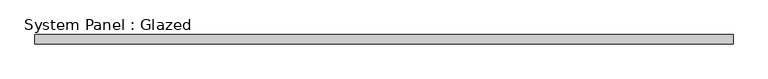
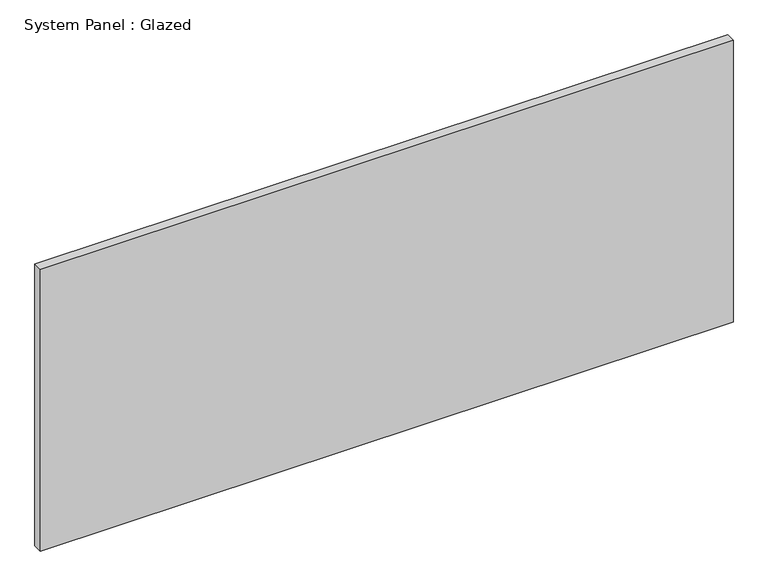
"""IFC4 building model written with IfcOpenShell, lengths in millimetres: plate geometry, System Panel : Glazed."""

import ifcopenshell
import ifcopenshell.guid

model = None  # the IFC model being written
_history = None  # IfcOwnerHistory: only IFC2X3 demands one
_inside = {}  # id of a spatial element -> (the spatial element, [elements in it])
_under = {}  # id of a project, library or spatial element -> (it, [spatial elements below it])
_declared = {}  # id of a project -> (the project, [libraries it declares])
_typed = {}  # id of a type object -> (the type object, [elements of that type])
_made_of = {}  # id of a material, layer set ... -> (it, [elements and type objects made of it])


def new_model(schema):
    """Start an empty IFC model of exactly this schema.

    Asked for "IFC4X3", IfcOpenShell would pick the latest addendum, in which some entities
    have other attributes; the version numbers below select the first issue.
    IFC2X3 requires an IfcOwnerHistory on every rooted entity: one is made here for all.
    """
    global model, _history
    if schema == "IFC4X3":
        model = ifcopenshell.file(schema_version=(4, 3, 0, 0))
    else:
        model = ifcopenshell.file(schema=schema)
    _inside.clear()
    _under.clear()
    _declared.clear()
    _typed.clear()
    _made_of.clear()
    _history = None
    if model.schema == "IFC2X3":
        org = make("IfcOrganization", Name="unknown")
        user = make(
            "IfcPersonAndOrganization",
            ThePerson=make("IfcPerson", FamilyName="unknown"),
            TheOrganization=org,
        )
        app = make(
            "IfcApplication",
            ApplicationDeveloper=org,
            Version="unknown",
            ApplicationFullName="unknown",
            ApplicationIdentifier="unknown",
        )
        _history = make(
            "IfcOwnerHistory",
            OwningUser=user,
            OwningApplication=app,
            ChangeAction="ADDED",
            CreationDate=0,
        )
    return model


def make(cls, **values):
    """One entity of the class cls with the attributes given. An attribute that is None is left unset."""
    return model.create_entity(
        cls, **{name: value for name, value in values.items() if value is not None}
    )


def rooted(cls, **values):
    """An entity with a GlobalId (a new one), such as an element, a storey or a relation."""
    return make(cls, GlobalId=ifcopenshell.guid.new(), OwnerHistory=_history, **values)


def si_unit(unit_type, name, prefix=None):
    """IfcSIUnit, for example si_unit("LENGTHUNIT", "METRE", prefix="MILLI")."""
    return make("IfcSIUnit", UnitType=unit_type, Prefix=prefix, Name=name)


def assignment(units):
    """IfcUnitAssignment: the units of a project."""
    return None if units is None else make("IfcUnitAssignment", Units=units)


def point(xyz):
    """IfcCartesianPoint."""
    return None if xyz is None else make("IfcCartesianPoint", Coordinates=xyz)


def direction(xyz):
    """IfcDirection."""
    return None if xyz is None else make("IfcDirection", DirectionRatios=xyz)


def frame(location, z_axis=None, x_axis=None):
    """IfcAxis2Placement3D, a coordinate frame: its origin and axes. An axis left out is left unset."""
    return make(
        "IfcAxis2Placement3D",
        Location=point(location),
        Axis=direction(z_axis),
        RefDirection=direction(x_axis),
    )


def origin():
    """The frame at (0, 0, 0) with its axes left unset."""
    return frame((0.0, 0.0, 0.0))


def origin_with_axes():
    """The frame at (0, 0, 0) with the z axis (0, 0, 1) and the x axis (1, 0, 0) written out."""
    return frame((0.0, 0.0, 0.0), z_axis=(0.0, 0.0, 1.0), x_axis=(1.0, 0.0, 0.0))


def place(relative_to, where):
    """IfcLocalPlacement: puts the frame where relative to a parent placement (None: the world)."""
    return make(
        "IfcLocalPlacement", PlacementRelTo=relative_to, RelativePlacement=where
    )


def context(
    kind, dimensions, precision=None, world=None, true_north=None, identifier=None
):
    """IfcGeometricRepresentationContext, for example the 3D "Model" context."""
    return make(
        "IfcGeometricRepresentationContext",
        ContextIdentifier=identifier,
        ContextType=kind,
        CoordinateSpaceDimension=dimensions,
        Precision=precision,
        WorldCoordinateSystem=world,
        TrueNorth=true_north,
    )


def project(units=None, contexts=None):
    """IfcProject with its units and contexts."""
    return rooted(
        "IfcProject",
        Name="project",
        RepresentationContexts=contexts,
        UnitsInContext=assignment(units),
    )


def spatial(cls, under=None, at=None, **own):
    """A site, building, storey or space (cls), placed at a placement, below another one or the project."""
    s = rooted(cls, ObjectPlacement=at, **own)
    if under is not None:
        _under.setdefault(under.id(), (under, []))[1].append(s)
    return s


def polyline(points):
    """IfcPolyline through the points."""
    return make("IfcPolyline", Points=[point(p) for p in points])


def outline(outer, holes=None, kind="AREA"):
    """IfcArbitraryClosedProfileDef: a profile drawn as a closed curve; with holes, ...WithVoids."""
    if holes is None:
        return make("IfcArbitraryClosedProfileDef", ProfileType=kind, OuterCurve=outer)
    return make(
        "IfcArbitraryProfileDefWithVoids",
        ProfileType=kind,
        OuterCurve=outer,
        InnerCurves=holes,
    )


def extrude(swept, where, along, depth):
    """IfcExtrudedAreaSolid: the profile swept, set in the frame where, extruded along a direction by depth."""
    return make(
        "IfcExtrudedAreaSolid",
        SweptArea=swept,
        Position=where,
        ExtrudedDirection=direction(along),
        Depth=depth,
    )


def shape(context_of_items, identifier, shape_type, items):
    """IfcShapeRepresentation: the items that make up one representation, for example the "Body"."""
    return make(
        "IfcShapeRepresentation",
        ContextOfItems=context_of_items,
        RepresentationIdentifier=identifier,
        RepresentationType=shape_type,
        Items=items,
    )


def source(mapping_origin, context_of_items, identifier, shape_type, items):
    """IfcRepresentationMap: a shape defined once, which mapped items show again and again."""
    return make(
        "IfcRepresentationMap",
        MappingOrigin=mapping_origin,
        MappedRepresentation=shape(context_of_items, identifier, shape_type, items),
    )


def transform(
    local_origin,
    x_axis=None,
    y_axis=None,
    z_axis=None,
    scale=None,
    scale2=None,
    scale3=None,
    uniform=True,
):
    """IfcCartesianTransformationOperator3D, or its non-uniform kind. x_axis, y_axis, z_axis: its Axis1, 2, 3."""
    if uniform:
        return make(
            "IfcCartesianTransformationOperator3D",
            Axis1=direction(x_axis),
            Axis2=direction(y_axis),
            LocalOrigin=point(local_origin),
            Scale=scale,
            Axis3=direction(z_axis),
        )
    return make(
        "IfcCartesianTransformationOperator3DnonUniform",
        Axis1=direction(x_axis),
        Axis2=direction(y_axis),
        LocalOrigin=point(local_origin),
        Scale=scale,
        Axis3=direction(z_axis),
        Scale2=scale2,
        Scale3=scale3,
    )


def mapped(mapping_source, mapping_target):
    """IfcMappedItem: shows the shape of a source again, moved by a transform."""
    return make(
        "IfcMappedItem", MappingSource=mapping_source, MappingTarget=mapping_target
    )


def made_of(thing, what):
    """Note that an element or type object is made of a material, layer set ...; save() writes the relation."""
    if what is not None:
        _made_of.setdefault(what.id(), (what, []))[1].append(thing)
    return thing


def element(
    cls,
    number,
    at=None,
    inside=None,
    cuts=None,
    type_object=None,
    material=None,
    context=None,
    identifier="Body",
    shape_type=None,
    held_by="IfcProductDefinitionShape",
    body=None,
    shapes=None,
    **own,
):
    """One element of the class cls, such as IfcWall. Its Tag is "e" and its number.

    at: its placement. inside: the storey or other place that contains it. cuts: it is an
    opening in that element (IfcRelVoidsElement). A single representation is given by context,
    identifier, shape_type and body (its items); several are given by shapes. held_by: the class
    of the entity that holds the representations. save() writes the other relations.
    """
    e = rooted(cls, Tag="e%d" % number, ObjectPlacement=at, **own)
    if body is not None:
        shapes = [shape(context, identifier, shape_type, body)]
    if shapes is not None:
        e.Representation = make(held_by, Representations=shapes)
    if inside is not None:
        _inside.setdefault(inside.id(), (inside, []))[1].append(e)
    if cuts is not None:
        rooted(
            "IfcRelVoidsElement", RelatingBuildingElement=cuts, RelatedOpeningElement=e
        )
    if type_object is not None:
        _typed.setdefault(type_object.id(), (type_object, []))[1].append(e)
    return made_of(e, material)


def aggregate(whole, parts):
    """IfcRelAggregates: a whole, such as a stair, and the parts it consists of."""
    return rooted("IfcRelAggregates", RelatingObject=whole, RelatedObjects=parts)


def save(model, path):
    """Write the relations noted so far, then the file.

    IfcRelAggregates (storeys below a building ...), IfcRelContainedInSpatialStructure (elements
    in a storey), IfcRelDefinesByType, IfcRelAssociatesMaterial and IfcRelDeclares: one each for
    every whole, place, type object, material and project.
    """
    for whole, parts in _under.values():
        aggregate(whole, parts)
    for where, things in _inside.values():
        rooted(
            "IfcRelContainedInSpatialStructure",
            RelatedElements=things,
            RelatingStructure=where,
        )
    for kind, things in _typed.values():
        rooted("IfcRelDefinesByType", RelatedObjects=things, RelatingType=kind)
    for what, things in _made_of.values():
        rooted("IfcRelAssociatesMaterial", RelatedObjects=things, RelatingMaterial=what)
    for by, libraries in _declared.values():
        rooted("IfcRelDeclares", RelatingContext=by, RelatedDefinitions=libraries)
    model.write(path)


def system_panel_glazed_beaef010(model_context):
    return source(origin(), model_context, "Body", "SweptSolid", [
        extrude(outline(polyline([(930.0, 19.05), (-930.0, 19.05), (-930.0, 44.45), (930.0, 44.45), (930.0, 19.05)])), origin_with_axes(), (0.0, 0.0, 1.0), 800.0),
    ])


if __name__ == "__main__":
    model = new_model("IFC4")
    model_context = context("Model", 3, world=origin())
    ifc_project = project(units=[si_unit("LENGTHUNIT", "METRE", prefix="MILLI")], contexts=[model_context])
    site = spatial("IfcSite", under=ifc_project)
    building = spatial("IfcBuilding", under=site)
    placement = place(None, origin())
    system_panel_glazed_shape = system_panel_glazed_beaef010(model_context)
    element("IfcPlate", 1, ObjectType="System Panel : Glazed", at=placement, inside=building, context=model_context, shape_type="MappedRepresentation", body=[
        mapped(system_panel_glazed_shape, transform((0.0, 0.0, 0.0), x_axis=(1.0, 0.0, 0.0), y_axis=(0.0, 1.0, 0.0), z_axis=(0.0, 0.0, 1.0))),
    ])
    save(model, "model.ifc")
